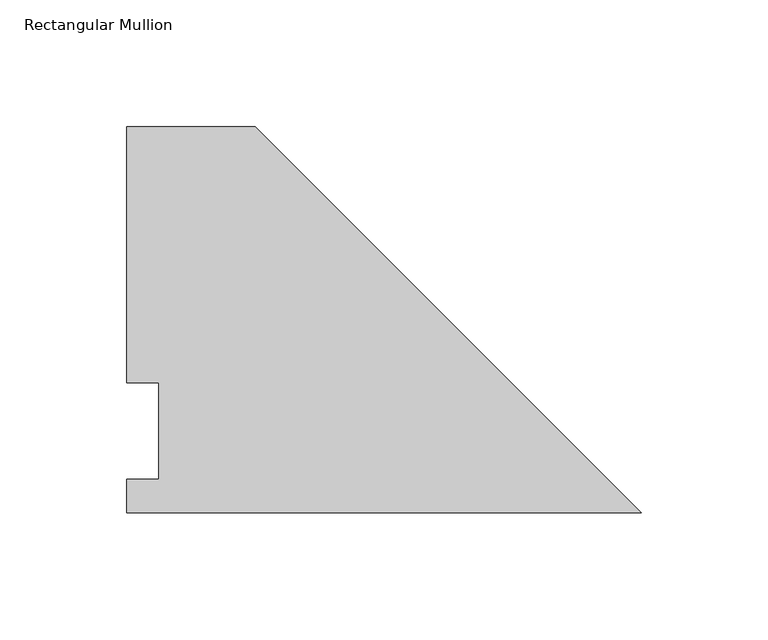
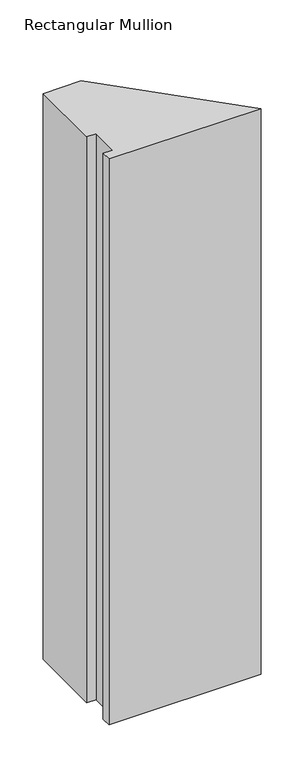
"""IFC4 building model written with IfcOpenShell, lengths in millimetres: member geometry, Rectangular Mullion."""

from ifc_helpers import new_model, si_unit, frame, origin, place, context, project, spatial, polyline, outline, extrude, source, transform, mapped, element, save


def rectangular_mullion_5fdecbc8(model_context):
    return source(origin(), model_context, "Body", "SweptSolid", [
        extrude(outline(polyline([(-203.2853182, 0.0134937), (-203.2853182, 13.1960938), (-190.5853182, 13.1960938), (-190.5853182, 51.2960938), (-203.2853182, 51.2960938), (-203.2853182, 152.4988119), (-152.4853182, 152.4988119), (0.0, 0.0134937), (-203.2853182, 0.0134937)])), frame((0.0, 0.0, -800.1), z_axis=(0.0, 0.0, 1.0), x_axis=(1.0, 0.0, 0.0)), (0.0, 0.0, 1.0), 800.1),
    ])


if __name__ == "__main__":
    model = new_model("IFC4")
    model_context = context("Model", 3, world=origin())
    ifc_project = project(units=[si_unit("LENGTHUNIT", "METRE", prefix="MILLI")], contexts=[model_context])
    site = spatial("IfcSite", under=ifc_project)
    building = spatial("IfcBuilding", under=site)
    placement = place(None, origin())
    rectangular_mullion_shape = rectangular_mullion_5fdecbc8(model_context)
    element("IfcMember", 1, ObjectType="Rectangular Mullion", at=placement, inside=building, context=model_context, shape_type="MappedRepresentation", body=[
        mapped(rectangular_mullion_shape, transform((0.0, 0.0, 0.0), x_axis=(1.0, 0.0, 0.0), y_axis=(0.0, 1.0, 0.0), z_axis=(0.0, 0.0, 1.0))),
    ])
    save(model, "model.ifc")
